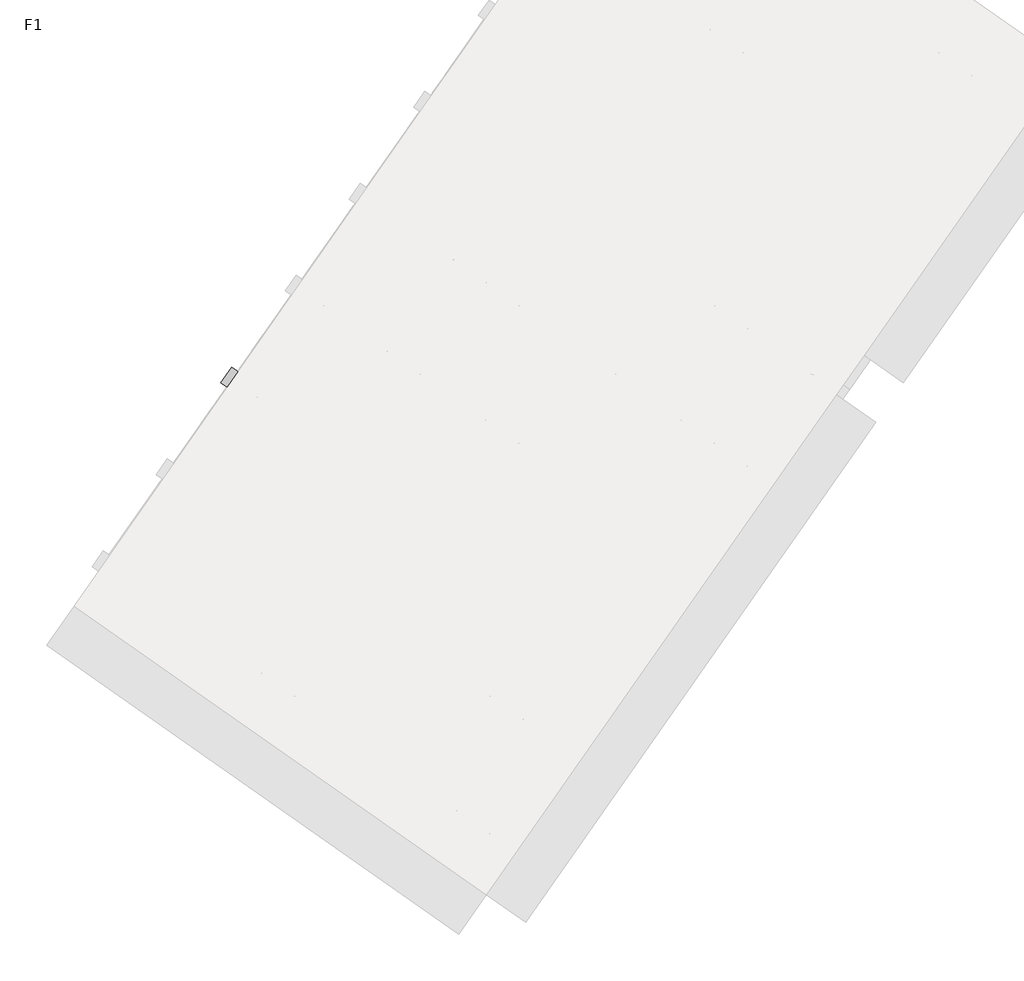
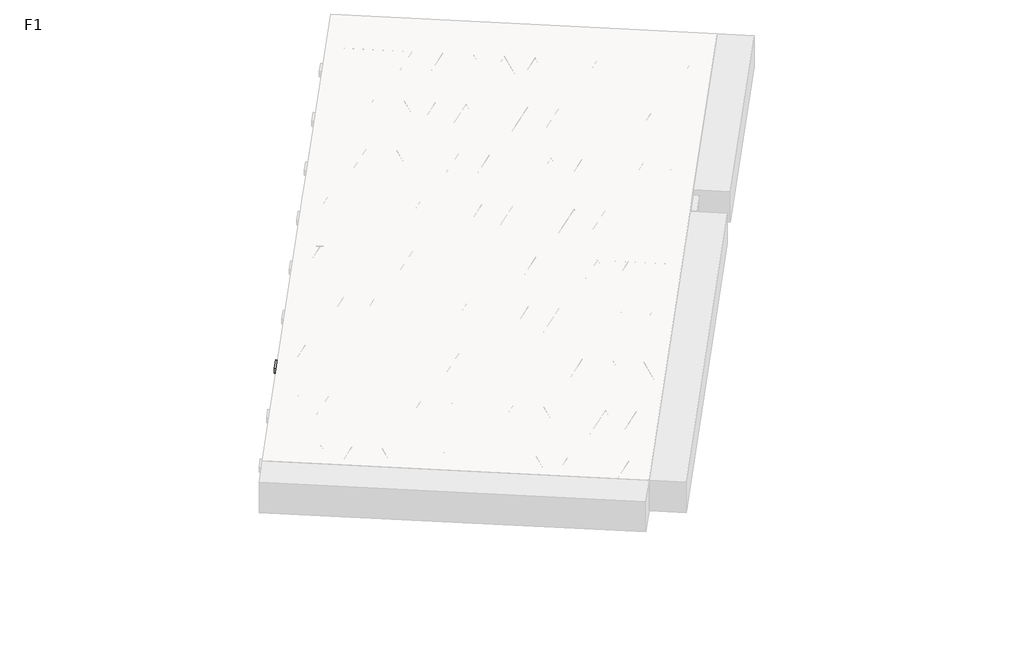
# One storey, part 4 of 30: 2 beams.
"""IFC4 building model written with IfcOpenShell, lengths in millimetres."""

from ifc_helpers import new_model, si_unit, point, frame, origin, origin_2d, place, context, project, spatial, polyline, circle_curve, trimmed, segment, composite_curve, outline, extrude, element, save

model = new_model("IFC4")

# Units and contexts
model_context = context("Model", 3, world=origin())
ifc_project = project(units=[si_unit("LENGTHUNIT", "METRE", prefix="MILLI")], contexts=[model_context])

# Site, building, storey
site = spatial("IfcSite", under=ifc_project)
building = spatial("IfcBuilding", under=site)
storey = spatial("IfcBuildingStorey", under=building, Name="F1", Elevation=99520.0)

# Beams
placement = place(None, origin())
element("IfcBeam", 1, at=placement, inside=storey, context=model_context, shape_type="SweptSolid", body=[
    extrude(outline(polyline([(4822.5081436, -3266.5423373), (4891.3373159, -3168.244092), (7545.3899394, -5026.6317459), (7476.560767, -5124.9299912), (4822.5081436, -3266.5423373)])), frame((0.0, 0.0, 99720.0), z_axis=(0.0, 0.0, 1.0), x_axis=(1.0, 0.0, 0.0)), (0.0, 0.0, 1.0), 50.0),
    extrude(outline(composite_curve([segment(trimmed(circle_curve(origin_2d(), 2.5), [point((-2.5000001, 0.0))], [point((2.5, 0.0))], False, "CARTESIAN"), True, "CONTINUOUS"), segment(trimmed(circle_curve(origin_2d(), 2.5), [point((2.5, 0.0))], [point((-2.5000001, 0.0))], False, "CARTESIAN"), True, "CONTINUOUS")], self_intersect=False)), frame((7470.6669524, -5091.5045076, 99745.0), z_axis=(-0.8191520442696126, 0.5735764363787226, 0.0), x_axis=(0.5735764363787226, 0.8191520442696126, 0.0)), (0.0, 0.0, 1.0), 3192.0),
    extrude(outline(composite_curve([segment(trimmed(circle_curve(origin_2d(), 2.5), [point((-2.5, 0.0))], [point((2.5, 0.0))], False, "CARTESIAN"), True, "CONTINUOUS"), segment(trimmed(circle_curve(origin_2d(), 2.5), [point((2.5, 0.0))], [point((-2.5, 0.0))], False, "CARTESIAN"), True, "CONTINUOUS")], self_intersect=False)), frame((7351.2407046, -4963.9334634, 99970.0), z_axis=(-0.8191520442696126, 0.5735764363787226, 0.0), x_axis=(0.5735764363787226, 0.8191520442696126, 0.0)), (0.0, 0.0, 1.0), 2850.0),
    extrude(outline(composite_curve([segment(trimmed(circle_curve(origin_2d(), 2.5), [point((-2.5, -1e-07))], [point((2.5, 0.0))], False, "CARTESIAN"), True, "CONTINUOUS"), segment(trimmed(circle_curve(origin_2d(), 2.5), [point((2.5, 0.0))], [point((-2.5, -1e-07))], False, "CARTESIAN"), True, "CONTINUOUS")], self_intersect=False)), frame((7392.0283562, -5036.4411697, 99745.0), z_axis=(-0.3145304735701046, 0.38933448886848654, 0.8657304643902053), x_axis=(0.7778747638402499, 0.6284193279813057, 0.0)), (0.0, 0.0, 1.0), 259.8961331),
    extrude(outline(composite_curve([segment(trimmed(circle_curve(origin_2d(), 2.5), [point((2.5, 0.0))], [point((-2.5000001, 0.0))], False, "CARTESIAN"), True, "CONTINUOUS"), segment(trimmed(circle_curve(origin_2d(), 2.5), [point((-2.5000001, 0.0))], [point((2.5, 0.0))], False, "CARTESIAN"), True, "CONTINUOUS")], self_intersect=False)), frame((7187.2403451, -4893.0470607, 99745.0), z_axis=(0.47343050384693375, -0.16240172737369005, 0.8657304643902051), x_axis=(-0.3244721671091268, -0.9458952440791246, 0.0)), (0.0, 0.0, 1.0), 259.8961331),
    extrude(outline(composite_curve([segment(trimmed(circle_curve(origin_2d(), 2.5), [point((-2.5, 0.0))], [point((2.5, 1e-07))], False, "CARTESIAN"), True, "CONTINUOUS"), segment(trimmed(circle_curve(origin_2d(), 2.5), [point((2.5, 1e-07))], [point((-2.5, 0.0))], False, "CARTESIAN"), True, "CONTINUOUS")], self_intersect=False)), frame((7187.2403451, -4893.0470607, 99745.0), z_axis=(-0.3145304735701046, 0.38933448886848654, 0.8657304643902053), x_axis=(0.7778747638402499, 0.6284193279813057, 0.0)), (0.0, 0.0, 1.0), 259.8961331),
    extrude(outline(composite_curve([segment(trimmed(circle_curve(origin_2d(), 2.5), [point((2.5, 0.0))], [point((-2.5000001, 0.0))], False, "CARTESIAN"), True, "CONTINUOUS"), segment(trimmed(circle_curve(origin_2d(), 2.5), [point((-2.5000001, 0.0))], [point((2.5, 0.0))], False, "CARTESIAN"), True, "CONTINUOUS")], self_intersect=False)), frame((6982.452334, -4749.6529516, 99745.0), z_axis=(0.47343050384693375, -0.16240172737369005, 0.8657304643902051), x_axis=(-0.3244721671091268, -0.9458952440791246, 0.0)), (0.0, 0.0, 1.0), 259.8961331),
    extrude(outline(composite_curve([segment(trimmed(circle_curve(origin_2d(), 2.5), [point((-2.5, 0.0))], [point((2.5000001, 0.0))], False, "CARTESIAN"), True, "CONTINUOUS"), segment(trimmed(circle_curve(origin_2d(), 2.5), [point((2.5000001, 0.0))], [point((-2.5, 0.0))], False, "CARTESIAN"), True, "CONTINUOUS")], self_intersect=False)), frame((6982.452334, -4749.6529516, 99745.0), z_axis=(-0.3145304735701046, 0.38933448886848654, 0.8657304643902053), x_axis=(0.7778747638402499, 0.6284193279813057, 0.0)), (0.0, 0.0, 1.0), 259.8961331),
    extrude(outline(composite_curve([segment(trimmed(circle_curve(origin_2d(), 2.5), [point((2.5, 0.0))], [point((-2.5, 0.0))], False, "CARTESIAN"), True, "CONTINUOUS"), segment(trimmed(circle_curve(origin_2d(), 2.5), [point((-2.5, 0.0))], [point((2.5, 0.0))], False, "CARTESIAN"), True, "CONTINUOUS")], self_intersect=False)), frame((6777.664323, -4606.2588425, 99745.0), z_axis=(0.47343050384693375, -0.16240172737369005, 0.8657304643902051), x_axis=(-0.3244721671091268, -0.9458952440791246, 0.0)), (0.0, 0.0, 1.0), 259.8961331),
    extrude(outline(composite_curve([segment(trimmed(circle_curve(origin_2d(), 2.5), [point((-2.5, 0.0))], [point((2.5, 1e-07))], False, "CARTESIAN"), True, "CONTINUOUS"), segment(trimmed(circle_curve(origin_2d(), 2.5), [point((2.5, 1e-07))], [point((-2.5, 0.0))], False, "CARTESIAN"), True, "CONTINUOUS")], self_intersect=False)), frame((6777.664323, -4606.2588425, 99745.0), z_axis=(-0.3145304735701046, 0.38933448886848654, 0.8657304643902053), x_axis=(0.7778747638402499, 0.6284193279813057, 0.0)), (0.0, 0.0, 1.0), 259.8961331),
    extrude(outline(composite_curve([segment(trimmed(circle_curve(origin_2d(), 2.5), [point((2.5, 0.0))], [point((-2.5, 0.0))], False, "CARTESIAN"), True, "CONTINUOUS"), segment(trimmed(circle_curve(origin_2d(), 2.5), [point((-2.5, 0.0))], [point((2.5, 0.0))], False, "CARTESIAN"), True, "CONTINUOUS")], self_intersect=False)), frame((6572.8763119, -4462.8647334, 99745.0), z_axis=(0.47343050384693375, -0.16240172737369005, 0.8657304643902051), x_axis=(-0.3244721671091268, -0.9458952440791246, 0.0)), (0.0, 0.0, 1.0), 259.8961331),
    extrude(outline(composite_curve([segment(trimmed(circle_curve(origin_2d(), 2.5), [point((-2.5, 0.0))], [point((2.5, 1e-07))], False, "CARTESIAN"), True, "CONTINUOUS"), segment(trimmed(circle_curve(origin_2d(), 2.5), [point((2.5, 1e-07))], [point((-2.5, 0.0))], False, "CARTESIAN"), True, "CONTINUOUS")], self_intersect=False)), frame((6572.8763119, -4462.8647334, 99745.0), z_axis=(-0.3145304735701046, 0.38933448886848654, 0.8657304643902053), x_axis=(0.7778747638402499, 0.6284193279813057, 0.0)), (0.0, 0.0, 1.0), 259.8961331),
    extrude(outline(composite_curve([segment(trimmed(circle_curve(origin_2d(), 2.5), [point((2.5, 0.0))], [point((-2.5, 1e-07))], False, "CARTESIAN"), True, "CONTINUOUS"), segment(trimmed(circle_curve(origin_2d(), 2.5), [point((-2.5, 1e-07))], [point((2.5, 0.0))], False, "CARTESIAN"), True, "CONTINUOUS")], self_intersect=False)), frame((6368.0883008, -4319.4706243, 99745.0), z_axis=(0.47343050384693375, -0.16240172737369005, 0.8657304643902051), x_axis=(-0.3244721671091268, -0.9458952440791246, 0.0)), (0.0, 0.0, 1.0), 259.8961331),
    extrude(outline(composite_curve([segment(trimmed(circle_curve(origin_2d(), 2.5), [point((-2.5, 0.0))], [point((2.5, 0.0))], False, "CARTESIAN"), True, "CONTINUOUS"), segment(trimmed(circle_curve(origin_2d(), 2.5), [point((2.5, 0.0))], [point((-2.5, 0.0))], False, "CARTESIAN"), True, "CONTINUOUS")], self_intersect=False)), frame((6368.0883008, -4319.4706243, 99745.0), z_axis=(-0.3145304735701046, 0.38933448886848654, 0.8657304643902053), x_axis=(0.7778747638402499, 0.6284193279813057, 0.0)), (0.0, 0.0, 1.0), 259.8961331),
    extrude(outline(composite_curve([segment(trimmed(circle_curve(origin_2d(), 2.5), [point((2.5, 0.0))], [point((-2.5, 0.0))], False, "CARTESIAN"), True, "CONTINUOUS"), segment(trimmed(circle_curve(origin_2d(), 2.5), [point((-2.5, 0.0))], [point((2.5, 0.0))], False, "CARTESIAN"), True, "CONTINUOUS")], self_intersect=False)), frame((6163.3002898, -4176.0765152, 99745.0), z_axis=(0.47343050384693375, -0.16240172737369005, 0.8657304643902051), x_axis=(-0.3244721671091268, -0.9458952440791246, 0.0)), (0.0, 0.0, 1.0), 259.8961331),
    extrude(outline(composite_curve([segment(trimmed(circle_curve(origin_2d(), 2.5), [point((-2.5, 0.0))], [point((2.5, 0.0))], False, "CARTESIAN"), True, "CONTINUOUS"), segment(trimmed(circle_curve(origin_2d(), 2.5), [point((2.5, 0.0))], [point((-2.5, 0.0))], False, "CARTESIAN"), True, "CONTINUOUS")], self_intersect=False)), frame((6163.3002898, -4176.0765152, 99745.0), z_axis=(-0.3145304735701046, 0.38933448886848654, 0.8657304643902053), x_axis=(0.7778747638402499, 0.6284193279813057, 0.0)), (0.0, 0.0, 1.0), 259.8961331),
    extrude(outline(composite_curve([segment(trimmed(circle_curve(origin_2d(), 2.5), [point((2.5, 0.0))], [point((-2.5, 0.0))], False, "CARTESIAN"), True, "CONTINUOUS"), segment(trimmed(circle_curve(origin_2d(), 2.5), [point((-2.5, 0.0))], [point((2.5, 0.0))], False, "CARTESIAN"), True, "CONTINUOUS")], self_intersect=False)), frame((5958.5122787, -4032.6824061, 99745.0), z_axis=(0.47343050384693375, -0.16240172737369005, 0.8657304643902051), x_axis=(-0.3244721671091268, -0.9458952440791246, 0.0)), (0.0, 0.0, 1.0), 259.8961331),
    extrude(outline(composite_curve([segment(trimmed(circle_curve(origin_2d(), 2.5), [point((-2.5, 0.0))], [point((2.5, 0.0))], False, "CARTESIAN"), True, "CONTINUOUS"), segment(trimmed(circle_curve(origin_2d(), 2.5), [point((2.5, 0.0))], [point((-2.5, 0.0))], False, "CARTESIAN"), True, "CONTINUOUS")], self_intersect=False)), frame((5958.5122787, -4032.6824061, 99745.0), z_axis=(-0.3145304735701046, 0.38933448886848654, 0.8657304643902053), x_axis=(0.7778747638402499, 0.6284193279813057, 0.0)), (0.0, 0.0, 1.0), 259.8961331),
    extrude(outline(composite_curve([segment(trimmed(circle_curve(origin_2d(), 2.5), [point((2.5, 0.0))], [point((-2.5, 1e-07))], False, "CARTESIAN"), True, "CONTINUOUS"), segment(trimmed(circle_curve(origin_2d(), 2.5), [point((-2.5, 1e-07))], [point((2.5, 0.0))], False, "CARTESIAN"), True, "CONTINUOUS")], self_intersect=False)), frame((5753.7242676, -3889.288297, 99745.0), z_axis=(0.47343050384693375, -0.16240172737369005, 0.8657304643902051), x_axis=(-0.3244721671091268, -0.9458952440791246, 0.0)), (0.0, 0.0, 1.0), 259.8961331),
    extrude(outline(composite_curve([segment(trimmed(circle_curve(origin_2d(), 2.5), [point((-2.5, 0.0))], [point((2.5, 0.0))], False, "CARTESIAN"), True, "CONTINUOUS"), segment(trimmed(circle_curve(origin_2d(), 2.5), [point((2.5, 0.0))], [point((-2.5, 0.0))], False, "CARTESIAN"), True, "CONTINUOUS")], self_intersect=False)), frame((5753.7242676, -3889.288297, 99745.0), z_axis=(-0.3145304735701046, 0.38933448886848654, 0.8657304643902053), x_axis=(0.7778747638402499, 0.6284193279813057, 0.0)), (0.0, 0.0, 1.0), 259.8961331),
    extrude(outline(composite_curve([segment(trimmed(circle_curve(origin_2d(), 2.5), [point((2.5, 0.0))], [point((-2.5, 0.0))], False, "CARTESIAN"), True, "CONTINUOUS"), segment(trimmed(circle_curve(origin_2d(), 2.5), [point((-2.5, 0.0))], [point((2.5, 0.0))], False, "CARTESIAN"), True, "CONTINUOUS")], self_intersect=False)), frame((5548.9362566, -3745.8941879, 99745.0), z_axis=(0.47343050384693375, -0.16240172737369005, 0.8657304643902051), x_axis=(-0.3244721671091268, -0.9458952440791246, 0.0)), (0.0, 0.0, 1.0), 259.8961331),
    extrude(outline(composite_curve([segment(trimmed(circle_curve(origin_2d(), 2.5), [point((-2.5, 0.0))], [point((2.5, 0.0))], False, "CARTESIAN"), True, "CONTINUOUS"), segment(trimmed(circle_curve(origin_2d(), 2.5), [point((2.5, 0.0))], [point((-2.5, 0.0))], False, "CARTESIAN"), True, "CONTINUOUS")], self_intersect=False)), frame((5548.9362566, -3745.8941879, 99745.0), z_axis=(-0.3145304735701046, 0.38933448886848654, 0.8657304643902053), x_axis=(0.7778747638402499, 0.6284193279813057, 0.0)), (0.0, 0.0, 1.0), 259.8961331),
    extrude(outline(composite_curve([segment(trimmed(circle_curve(origin_2d(), 2.5), [point((2.5, 0.0))], [point((-2.5, 0.0))], False, "CARTESIAN"), True, "CONTINUOUS"), segment(trimmed(circle_curve(origin_2d(), 2.5), [point((-2.5, 0.0))], [point((2.5, 0.0))], False, "CARTESIAN"), True, "CONTINUOUS")], self_intersect=False)), frame((5344.1482455, -3602.5000788, 99745.0), z_axis=(0.47343050384693375, -0.16240172737369005, 0.8657304643902051), x_axis=(-0.3244721671091268, -0.9458952440791246, 0.0)), (0.0, 0.0, 1.0), 259.8961331),
    extrude(outline(composite_curve([segment(trimmed(circle_curve(origin_2d(), 2.5), [point((-2.5, 0.0))], [point((2.5, 0.0))], False, "CARTESIAN"), True, "CONTINUOUS"), segment(trimmed(circle_curve(origin_2d(), 2.5), [point((2.5, 0.0))], [point((-2.5, 0.0))], False, "CARTESIAN"), True, "CONTINUOUS")], self_intersect=False)), frame((5344.1482455, -3602.5000788, 99745.0), z_axis=(-0.3145304735701046, 0.38933448886848654, 0.8657304643902053), x_axis=(0.7778747638402499, 0.6284193279813057, 0.0)), (0.0, 0.0, 1.0), 259.8961331),
    extrude(outline(composite_curve([segment(trimmed(circle_curve(origin_2d(), 2.5), [point((2.5, 0.0))], [point((-2.5, 1e-07))], False, "CARTESIAN"), True, "CONTINUOUS"), segment(trimmed(circle_curve(origin_2d(), 2.5), [point((-2.5, 1e-07))], [point((2.5, 0.0))], False, "CARTESIAN"), True, "CONTINUOUS")], self_intersect=False)), frame((5139.3602344, -3459.1059697, 99745.0), z_axis=(0.47343050384693375, -0.16240172737369005, 0.8657304643902051), x_axis=(-0.3244721671091268, -0.9458952440791246, 0.0)), (0.0, 0.0, 1.0), 259.8961331),
    extrude(outline(composite_curve([segment(trimmed(circle_curve(origin_2d(), 2.5), [point((-2.5, 0.0))], [point((2.5, 0.0))], False, "CARTESIAN"), True, "CONTINUOUS"), segment(trimmed(circle_curve(origin_2d(), 2.5), [point((2.5, 0.0))], [point((-2.5, 0.0))], False, "CARTESIAN"), True, "CONTINUOUS")], self_intersect=False)), frame((5139.3602344, -3459.1059697, 99745.0), z_axis=(-0.3145304735701046, 0.38933448886848654, 0.8657304643902053), x_axis=(0.7778747638402499, 0.6284193279813057, 0.0)), (0.0, 0.0, 1.0), 259.8961331),
    extrude(outline(composite_curve([segment(trimmed(circle_curve(origin_2d(), 2.5), [point((2.5, 0.0))], [point((-2.5, 0.0))], False, "CARTESIAN"), True, "CONTINUOUS"), segment(trimmed(circle_curve(origin_2d(), 2.5), [point((-2.5, 0.0))], [point((2.5, 0.0))], False, "CARTESIAN"), True, "CONTINUOUS")], self_intersect=False)), frame((4934.5722234, -3315.7118606, 99745.0), z_axis=(0.47343050384693375, -0.16240172737369005, 0.8657304643902051), x_axis=(-0.3244721671091268, -0.9458952440791246, 0.0)), (0.0, 0.0, 1.0), 259.8961331),
    extrude(outline(composite_curve([segment(trimmed(circle_curve(origin_2d(), 2.5), [point((-2.4999999, 0.0))], [point((2.5000001, 0.0))], False, "CARTESIAN"), True, "CONTINUOUS"), segment(trimmed(circle_curve(origin_2d(), 2.5), [point((2.5000001, 0.0))], [point((-2.4999999, 0.0))], False, "CARTESIAN"), True, "CONTINUOUS")], self_intersect=False)), frame((7511.9644558, -5032.5255605, 99745.0), z_axis=(-0.8191520442696126, 0.5735764363787226, 0.0), x_axis=(0.5735764363787226, 0.8191520442696126, 0.0)), (0.0, 0.0, 1.0), 3192.0),
    extrude(outline(composite_curve([segment(trimmed(circle_curve(origin_2d(), 2.5), [point((-2.5, 0.0))], [point((2.5, 0.0))], False, "CARTESIAN"), True, "CONTINUOUS"), segment(trimmed(circle_curve(origin_2d(), 2.5), [point((2.5, 0.0))], [point((-2.5, 0.0))], False, "CARTESIAN"), True, "CONTINUOUS")], self_intersect=False)), frame((7433.3258596, -4977.4622226, 99745.0), z_axis=(-0.47343050384693375, 0.16240172737369005, 0.8657304643902051), x_axis=(0.3244721671091268, 0.9458952440791246, 0.0)), (0.0, 0.0, 1.0), 259.8961331),
    extrude(outline(composite_curve([segment(trimmed(circle_curve(origin_2d(), 2.5), [point((2.5, 0.0))], [point((-2.5, -1e-07))], False, "CARTESIAN"), True, "CONTINUOUS"), segment(trimmed(circle_curve(origin_2d(), 2.5), [point((-2.5, -1e-07))], [point((2.5, 0.0))], False, "CARTESIAN"), True, "CONTINUOUS")], self_intersect=False)), frame((7228.5378485, -4834.0681135, 99745.0), z_axis=(0.3145304735701046, -0.38933448886848654, 0.8657304643902053), x_axis=(-0.7778747638402499, -0.6284193279813057, 0.0)), (0.0, 0.0, 1.0), 259.8961331),
    extrude(outline(composite_curve([segment(trimmed(circle_curve(origin_2d(), 2.5), [point((-2.5, 0.0))], [point((2.5, 0.0))], False, "CARTESIAN"), True, "CONTINUOUS"), segment(trimmed(circle_curve(origin_2d(), 2.5), [point((2.5, 0.0))], [point((-2.5, 0.0))], False, "CARTESIAN"), True, "CONTINUOUS")], self_intersect=False)), frame((7228.5378485, -4834.0681135, 99745.0), z_axis=(-0.47343050384693375, 0.16240172737369005, 0.8657304643902051), x_axis=(0.3244721671091268, 0.9458952440791246, 0.0)), (0.0, 0.0, 1.0), 259.8961331),
    extrude(outline(composite_curve([segment(trimmed(circle_curve(origin_2d(), 2.5), [point((2.5, 0.0))], [point((-2.5, 0.0))], False, "CARTESIAN"), True, "CONTINUOUS"), segment(trimmed(circle_curve(origin_2d(), 2.5), [point((-2.5, 0.0))], [point((2.5, 0.0))], False, "CARTESIAN"), True, "CONTINUOUS")], self_intersect=False)), frame((7023.7498375, -4690.6740044, 99745.0), z_axis=(0.3145304735701046, -0.38933448886848654, 0.8657304643902053), x_axis=(-0.7778747638402499, -0.6284193279813057, 0.0)), (0.0, 0.0, 1.0), 259.8961331),
    extrude(outline(composite_curve([segment(trimmed(circle_curve(origin_2d(), 2.5), [point((-2.5, 1e-07))], [point((2.5, 0.0))], False, "CARTESIAN"), True, "CONTINUOUS"), segment(trimmed(circle_curve(origin_2d(), 2.5), [point((2.5, 0.0))], [point((-2.5, 1e-07))], False, "CARTESIAN"), True, "CONTINUOUS")], self_intersect=False)), frame((7023.7498375, -4690.6740044, 99745.0), z_axis=(-0.47343050384693375, 0.16240172737369005, 0.8657304643902051), x_axis=(0.3244721671091268, 0.9458952440791246, 0.0)), (0.0, 0.0, 1.0), 259.8961331),
    extrude(outline(composite_curve([segment(trimmed(circle_curve(origin_2d(), 2.5), [point((2.5, 0.0))], [point((-2.5, 0.0))], False, "CARTESIAN"), True, "CONTINUOUS"), segment(trimmed(circle_curve(origin_2d(), 2.5), [point((-2.5, 0.0))], [point((2.5, 0.0))], False, "CARTESIAN"), True, "CONTINUOUS")], self_intersect=False)), frame((6818.9618264, -4547.2798953, 99745.0), z_axis=(0.3145304735701046, -0.38933448886848654, 0.8657304643902053), x_axis=(-0.7778747638402499, -0.6284193279813057, 0.0)), (0.0, 0.0, 1.0), 259.8961331),
    extrude(outline(composite_curve([segment(trimmed(circle_curve(origin_2d(), 2.5), [point((-2.5, 0.0))], [point((2.5, 0.0))], False, "CARTESIAN"), True, "CONTINUOUS"), segment(trimmed(circle_curve(origin_2d(), 2.5), [point((2.5, 0.0))], [point((-2.5, 0.0))], False, "CARTESIAN"), True, "CONTINUOUS")], self_intersect=False)), frame((6818.9618264, -4547.2798953, 99745.0), z_axis=(-0.47343050384693375, 0.16240172737369005, 0.8657304643902051), x_axis=(0.3244721671091268, 0.9458952440791246, 0.0)), (0.0, 0.0, 1.0), 259.8961331),
    extrude(outline(composite_curve([segment(trimmed(circle_curve(origin_2d(), 2.5), [point((2.5, 0.0))], [point((-2.5, 0.0))], False, "CARTESIAN"), True, "CONTINUOUS"), segment(trimmed(circle_curve(origin_2d(), 2.5), [point((-2.5, 0.0))], [point((2.5, 0.0))], False, "CARTESIAN"), True, "CONTINUOUS")], self_intersect=False)), frame((6614.1738153, -4403.8857862, 99745.0), z_axis=(0.3145304735701046, -0.38933448886848654, 0.8657304643902053), x_axis=(-0.7778747638402499, -0.6284193279813057, 0.0)), (0.0, 0.0, 1.0), 259.8961331),
    extrude(outline(composite_curve([segment(trimmed(circle_curve(origin_2d(), 2.5), [point((-2.5, 0.0))], [point((2.5, 0.0))], False, "CARTESIAN"), True, "CONTINUOUS"), segment(trimmed(circle_curve(origin_2d(), 2.5), [point((2.5, 0.0))], [point((-2.5, 0.0))], False, "CARTESIAN"), True, "CONTINUOUS")], self_intersect=False)), frame((6614.1738153, -4403.8857862, 99745.0), z_axis=(-0.47343050384693375, 0.16240172737369005, 0.8657304643902051), x_axis=(0.3244721671091268, 0.9458952440791246, 0.0)), (0.0, 0.0, 1.0), 259.8961331),
    extrude(outline(composite_curve([segment(trimmed(circle_curve(origin_2d(), 2.5), [point((2.5000001, -1e-07))], [point((-2.5, 0.0))], False, "CARTESIAN"), True, "CONTINUOUS"), segment(trimmed(circle_curve(origin_2d(), 2.5), [point((-2.5, 0.0))], [point((2.5000001, -1e-07))], False, "CARTESIAN"), True, "CONTINUOUS")], self_intersect=False)), frame((6409.3858043, -4260.4916771, 99745.0), z_axis=(0.3145304735701046, -0.38933448886848654, 0.8657304643902053), x_axis=(-0.7778747638402499, -0.6284193279813057, 0.0)), (0.0, 0.0, 1.0), 259.8961331),
    extrude(outline(composite_curve([segment(trimmed(circle_curve(origin_2d(), 2.5), [point((-2.5, 1e-07))], [point((2.5, 0.0))], False, "CARTESIAN"), True, "CONTINUOUS"), segment(trimmed(circle_curve(origin_2d(), 2.5), [point((2.5, 0.0))], [point((-2.5, 1e-07))], False, "CARTESIAN"), True, "CONTINUOUS")], self_intersect=False)), frame((6409.3858043, -4260.4916771, 99745.0), z_axis=(-0.47343050384693375, 0.16240172737369005, 0.8657304643902051), x_axis=(0.3244721671091268, 0.9458952440791246, 0.0)), (0.0, 0.0, 1.0), 259.8961331),
    extrude(outline(composite_curve([segment(trimmed(circle_curve(origin_2d(), 2.5), [point((2.5, 0.0))], [point((-2.5, 0.0))], False, "CARTESIAN"), True, "CONTINUOUS"), segment(trimmed(circle_curve(origin_2d(), 2.5), [point((-2.5, 0.0))], [point((2.5, 0.0))], False, "CARTESIAN"), True, "CONTINUOUS")], self_intersect=False)), frame((6204.5977932, -4117.097568, 99745.0), z_axis=(0.3145304735701046, -0.38933448886848654, 0.8657304643902053), x_axis=(-0.7778747638402499, -0.6284193279813057, 0.0)), (0.0, 0.0, 1.0), 259.8961331),
    extrude(outline(composite_curve([segment(trimmed(circle_curve(origin_2d(), 2.5), [point((-2.5, 0.0))], [point((2.5, 0.0))], False, "CARTESIAN"), True, "CONTINUOUS"), segment(trimmed(circle_curve(origin_2d(), 2.5), [point((2.5, 0.0))], [point((-2.5, 0.0))], False, "CARTESIAN"), True, "CONTINUOUS")], self_intersect=False)), frame((6204.5977932, -4117.097568, 99745.0), z_axis=(-0.47343050384693375, 0.16240172737369005, 0.8657304643902051), x_axis=(0.3244721671091268, 0.9458952440791246, 0.0)), (0.0, 0.0, 1.0), 259.8961331),
    extrude(outline(composite_curve([segment(trimmed(circle_curve(origin_2d(), 2.5), [point((2.5, 0.0))], [point((-2.5, 0.0))], False, "CARTESIAN"), True, "CONTINUOUS"), segment(trimmed(circle_curve(origin_2d(), 2.5), [point((-2.5, 0.0))], [point((2.5, 0.0))], False, "CARTESIAN"), True, "CONTINUOUS")], self_intersect=False)), frame((5999.8097821, -3973.7034589, 99745.0), z_axis=(0.3145304735701046, -0.38933448886848654, 0.8657304643902053), x_axis=(-0.7778747638402499, -0.6284193279813057, 0.0)), (0.0, 0.0, 1.0), 259.8961331),
    extrude(outline(composite_curve([segment(trimmed(circle_curve(origin_2d(), 2.5), [point((-2.5, 0.0))], [point((2.5, 0.0))], False, "CARTESIAN"), True, "CONTINUOUS"), segment(trimmed(circle_curve(origin_2d(), 2.5), [point((2.5, 0.0))], [point((-2.5, 0.0))], False, "CARTESIAN"), True, "CONTINUOUS")], self_intersect=False)), frame((5999.8097821, -3973.7034589, 99745.0), z_axis=(-0.47343050384693375, 0.16240172737369005, 0.8657304643902051), x_axis=(0.3244721671091268, 0.9458952440791246, 0.0)), (0.0, 0.0, 1.0), 259.8961331),
    extrude(outline(composite_curve([segment(trimmed(circle_curve(origin_2d(), 2.5), [point((2.5000001, -1e-07))], [point((-2.5, 0.0))], False, "CARTESIAN"), True, "CONTINUOUS"), segment(trimmed(circle_curve(origin_2d(), 2.5), [point((-2.5, 0.0))], [point((2.5000001, -1e-07))], False, "CARTESIAN"), True, "CONTINUOUS")], self_intersect=False)), frame((5795.0217711, -3830.3093498, 99745.0), z_axis=(0.3145304735701046, -0.38933448886848654, 0.8657304643902053), x_axis=(-0.7778747638402499, -0.6284193279813057, 0.0)), (0.0, 0.0, 1.0), 259.8961331),
    extrude(outline(composite_curve([segment(trimmed(circle_curve(origin_2d(), 2.5), [point((-2.5, 1e-07))], [point((2.5, 0.0))], False, "CARTESIAN"), True, "CONTINUOUS"), segment(trimmed(circle_curve(origin_2d(), 2.5), [point((2.5, 0.0))], [point((-2.5, 1e-07))], False, "CARTESIAN"), True, "CONTINUOUS")], self_intersect=False)), frame((5795.0217711, -3830.3093498, 99745.0), z_axis=(-0.47343050384693375, 0.16240172737369005, 0.8657304643902051), x_axis=(0.3244721671091268, 0.9458952440791246, 0.0)), (0.0, 0.0, 1.0), 259.8961331),
    extrude(outline(composite_curve([segment(trimmed(circle_curve(origin_2d(), 2.5), [point((2.5, 0.0))], [point((-2.5, 0.0))], False, "CARTESIAN"), True, "CONTINUOUS"), segment(trimmed(circle_curve(origin_2d(), 2.5), [point((-2.5, 0.0))], [point((2.5, 0.0))], False, "CARTESIAN"), True, "CONTINUOUS")], self_intersect=False)), frame((5590.23376, -3686.9152407, 99745.0), z_axis=(0.3145304735701046, -0.38933448886848654, 0.8657304643902053), x_axis=(-0.7778747638402499, -0.6284193279813057, 0.0)), (0.0, 0.0, 1.0), 259.8961331),
    extrude(outline(composite_curve([segment(trimmed(circle_curve(origin_2d(), 2.5), [point((-2.5, 0.0))], [point((2.5, 0.0))], False, "CARTESIAN"), True, "CONTINUOUS"), segment(trimmed(circle_curve(origin_2d(), 2.5), [point((2.5, 0.0))], [point((-2.5, 0.0))], False, "CARTESIAN"), True, "CONTINUOUS")], self_intersect=False)), frame((5590.23376, -3686.9152407, 99745.0), z_axis=(-0.47343050384693375, 0.16240172737369005, 0.8657304643902051), x_axis=(0.3244721671091268, 0.9458952440791246, 0.0)), (0.0, 0.0, 1.0), 259.8961331),
    extrude(outline(composite_curve([segment(trimmed(circle_curve(origin_2d(), 2.5), [point((2.5, 0.0))], [point((-2.5, 0.0))], False, "CARTESIAN"), True, "CONTINUOUS"), segment(trimmed(circle_curve(origin_2d(), 2.5), [point((-2.5, 0.0))], [point((2.5, 0.0))], False, "CARTESIAN"), True, "CONTINUOUS")], self_intersect=False)), frame((5385.4457489, -3543.5211316, 99745.0), z_axis=(0.3145304735701046, -0.38933448886848654, 0.8657304643902053), x_axis=(-0.7778747638402499, -0.6284193279813057, 0.0)), (0.0, 0.0, 1.0), 259.8961331),
    extrude(outline(composite_curve([segment(trimmed(circle_curve(origin_2d(), 2.5), [point((-2.5, 0.0))], [point((2.5, 0.0))], False, "CARTESIAN"), True, "CONTINUOUS"), segment(trimmed(circle_curve(origin_2d(), 2.5), [point((2.5, 0.0))], [point((-2.5, 0.0))], False, "CARTESIAN"), True, "CONTINUOUS")], self_intersect=False)), frame((5385.4457489, -3543.5211316, 99745.0), z_axis=(-0.47343050384693375, 0.16240172737369005, 0.8657304643902051), x_axis=(0.3244721671091268, 0.9458952440791246, 0.0)), (0.0, 0.0, 1.0), 259.8961331),
    extrude(outline(composite_curve([segment(trimmed(circle_curve(origin_2d(), 2.5), [point((2.5000001, -1e-07))], [point((-2.5, 0.0))], False, "CARTESIAN"), True, "CONTINUOUS"), segment(trimmed(circle_curve(origin_2d(), 2.5), [point((-2.5, 0.0))], [point((2.5000001, -1e-07))], False, "CARTESIAN"), True, "CONTINUOUS")], self_intersect=False)), frame((5180.6577379, -3400.1270225, 99745.0), z_axis=(0.3145304735701046, -0.38933448886848654, 0.8657304643902053), x_axis=(-0.7778747638402499, -0.6284193279813057, 0.0)), (0.0, 0.0, 1.0), 259.8961331),
    extrude(outline(composite_curve([segment(trimmed(circle_curve(origin_2d(), 2.5), [point((-2.5, 1e-07))], [point((2.5, 0.0))], False, "CARTESIAN"), True, "CONTINUOUS"), segment(trimmed(circle_curve(origin_2d(), 2.5), [point((2.5, 0.0))], [point((-2.5, 1e-07))], False, "CARTESIAN"), True, "CONTINUOUS")], self_intersect=False)), frame((5180.6577379, -3400.1270225, 99745.0), z_axis=(-0.47343050384693375, 0.16240172737369005, 0.8657304643902051), x_axis=(0.3244721671091268, 0.9458952440791246, 0.0)), (0.0, 0.0, 1.0), 259.8961331),
    extrude(outline(composite_curve([segment(trimmed(circle_curve(origin_2d(), 2.5), [point((2.5, 0.0))], [point((-2.5, 0.0))], False, "CARTESIAN"), True, "CONTINUOUS"), segment(trimmed(circle_curve(origin_2d(), 2.5), [point((-2.5, 0.0))], [point((2.5, 0.0))], False, "CARTESIAN"), True, "CONTINUOUS")], self_intersect=False)), frame((4975.8697268, -3256.7329134, 99745.0), z_axis=(0.3145304735701046, -0.38933448886848654, 0.8657304643902053), x_axis=(-0.7778747638402499, -0.6284193279813057, 0.0)), (0.0, 0.0, 1.0), 259.8961331),
])
element("IfcBeam", 2, at=placement, inside=storey, context=model_context, shape_type="SweptSolid", body=[
    extrude(outline(polyline([(5224.011649, -2693.1359063), (5292.8408214, -2594.837661), (7946.8934448, -4453.2253149), (7878.0642725, -4551.5235602), (5224.011649, -2693.1359063)])), frame((0.0, 0.0, 99720.0), z_axis=(0.0, 0.0, 1.0), x_axis=(1.0, 0.0, 0.0)), (0.0, 0.0, 1.0), 50.0),
])

save(model, "model.ifc")
